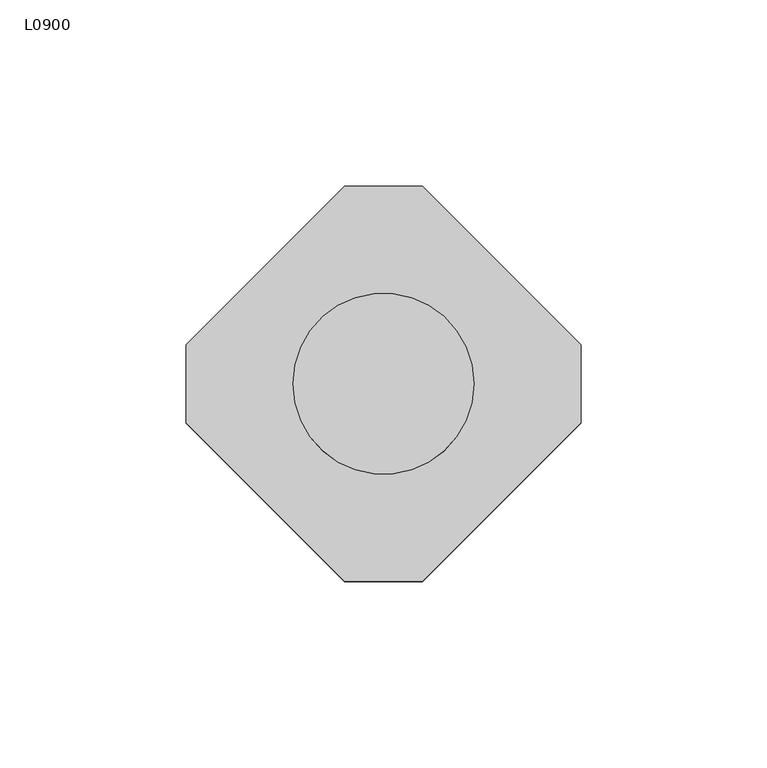
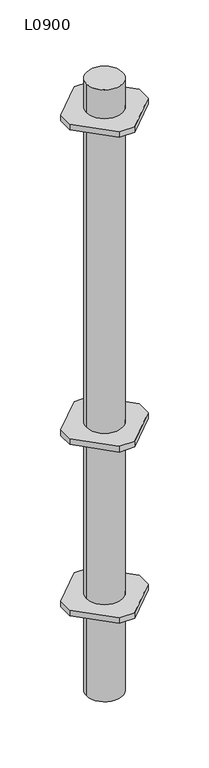
"""IFC4 building model written with IfcOpenShell, lengths in millimetres: proxy geometry, L0900."""

from ifc_helpers import new_model, si_unit, point, frame, origin, origin_with_axes, origin_2d, place, context, project, spatial, polyline, circle_curve, trimmed, segment, composite_curve, outline, extrude, source, transform, mapped, element, save


def l0900_57d626e8(model_context):
    return source(origin(), model_context, "Body", "SweptSolid", [
        extrude(outline(polyline([(10.5, 53.0), (53.0, 10.5), (53.0, -10.5), (10.5, -53.0), (-10.5, -53.0), (-53.0, -10.5), (-53.0, 10.5), (-10.5, 53.0), (10.5, 53.0)]), holes=[composite_curve([segment(trimmed(circle_curve(origin_2d(), 24.3), [point((-24.3, 0.0))], [point((24.3, 0.0))], True, "CARTESIAN"), True, "CONTINUOUS"), segment(trimmed(circle_curve(origin_2d(), 24.3), [point((24.3, 0.0))], [point((-24.3, 0.0))], True, "CARTESIAN"), True, "CONTINUOUS")], self_intersect=False)]), frame((0.0, 0.0, 826.0), z_axis=(0.0, 0.0, 1.0), x_axis=(1.0, 0.0, 0.0)), (0.0, 0.0, 1.0), 8.0),
        extrude(outline(polyline([(10.5, 53.0), (53.0, 10.5), (53.0, -10.5), (10.5, -53.0), (-10.5, -53.0), (-53.0, -10.5), (-53.0, 10.5), (-10.5, 53.0), (10.5, 53.0)]), holes=[composite_curve([segment(trimmed(circle_curve(origin_2d(), 24.3), [point((-24.3, 0.0))], [point((24.3, 0.0))], True, "CARTESIAN"), True, "CONTINUOUS"), segment(trimmed(circle_curve(origin_2d(), 24.3), [point((24.3, 0.0))], [point((-24.3, 0.0))], True, "CARTESIAN"), True, "CONTINUOUS")], self_intersect=False)]), frame((0.0, 0.0, 131.0), z_axis=(0.0, 0.0, 1.0), x_axis=(1.0, 0.0, 0.0)), (0.0, 0.0, 1.0), 8.0),
        extrude(outline(polyline([(10.5, 53.0), (53.0, 10.5), (53.0, -10.5), (10.5, -53.0), (-10.5, -53.0), (-53.0, -10.5), (-53.0, 10.5), (-10.5, 53.0), (10.5, 53.0)]), holes=[composite_curve([segment(trimmed(circle_curve(origin_2d(), 24.3), [point((-24.3, 0.0))], [point((24.3, 0.0))], True, "CARTESIAN"), True, "CONTINUOUS"), segment(trimmed(circle_curve(origin_2d(), 24.3), [point((24.3, 0.0))], [point((-24.3, 0.0))], True, "CARTESIAN"), True, "CONTINUOUS")], self_intersect=False)]), frame((0.0, 0.0, 376.0), z_axis=(0.0, 0.0, 1.0), x_axis=(1.0, 0.0, 0.0)), (0.0, 0.0, 1.0), 8.0),
        extrude(outline(composite_curve([segment(trimmed(circle_curve(origin_2d(), 24.3), [point((-24.3, 0.0))], [point((24.3, 0.0))], False, "CARTESIAN"), True, "CONTINUOUS"), segment(trimmed(circle_curve(origin_2d(), 24.3), [point((24.3, 0.0))], [point((-24.3, 0.0))], False, "CARTESIAN"), True, "CONTINUOUS")], self_intersect=False)), origin_with_axes(), (0.0, 0.0, 1.0), 875.0),
    ])


if __name__ == "__main__":
    model = new_model("IFC4")
    model_context = context("Model", 3, world=origin())
    ifc_project = project(units=[si_unit("LENGTHUNIT", "METRE", prefix="MILLI")], contexts=[model_context])
    site = spatial("IfcSite", under=ifc_project)
    building = spatial("IfcBuilding", under=site)
    placement = place(None, origin())
    l0900_shape = l0900_57d626e8(model_context)
    element("IfcBuildingElementProxy", 1, Name="L0900", ObjectType="L0900", at=placement, inside=building, context=model_context, shape_type="MappedRepresentation", body=[
        mapped(l0900_shape, transform((0.0, 0.0, 0.0), x_axis=(1.0, 0.0, 0.0), y_axis=(0.0, 1.0, 0.0), z_axis=(0.0, 0.0, 1.0))),
    ])
    save(model, "model.ifc")
